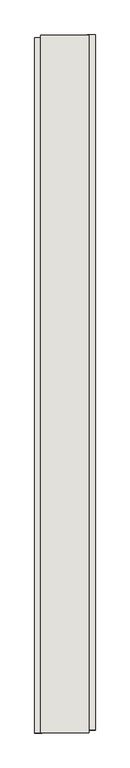
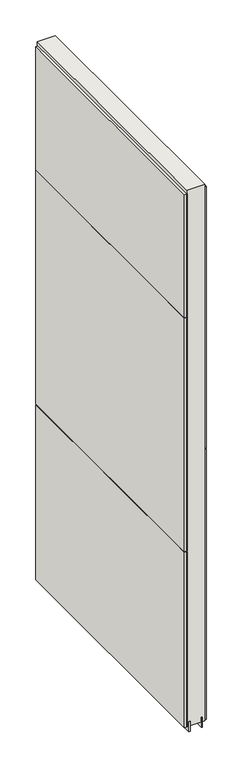
"""IFC4 building model written with IfcOpenShell, lengths in millimetres: wall geometry."""

import ifcopenshell
import ifcopenshell.guid

model = None  # the IFC model being written
_history = None  # IfcOwnerHistory: only IFC2X3 demands one
_inside = {}  # id of a spatial element -> (the spatial element, [elements in it])
_under = {}  # id of a project, library or spatial element -> (it, [spatial elements below it])
_declared = {}  # id of a project -> (the project, [libraries it declares])
_typed = {}  # id of a type object -> (the type object, [elements of that type])
_made_of = {}  # id of a material, layer set ... -> (it, [elements and type objects made of it])


def new_model(schema):
    """Start an empty IFC model of exactly this schema.

    Asked for "IFC4X3", IfcOpenShell would pick the latest addendum, in which some entities
    have other attributes; the version numbers below select the first issue.
    IFC2X3 requires an IfcOwnerHistory on every rooted entity: one is made here for all.
    """
    global model, _history
    if schema == "IFC4X3":
        model = ifcopenshell.file(schema_version=(4, 3, 0, 0))
    else:
        model = ifcopenshell.file(schema=schema)
    _inside.clear()
    _under.clear()
    _declared.clear()
    _typed.clear()
    _made_of.clear()
    _history = None
    if model.schema == "IFC2X3":
        org = make("IfcOrganization", Name="unknown")
        user = make(
            "IfcPersonAndOrganization",
            ThePerson=make("IfcPerson", FamilyName="unknown"),
            TheOrganization=org,
        )
        app = make(
            "IfcApplication",
            ApplicationDeveloper=org,
            Version="unknown",
            ApplicationFullName="unknown",
            ApplicationIdentifier="unknown",
        )
        _history = make(
            "IfcOwnerHistory",
            OwningUser=user,
            OwningApplication=app,
            ChangeAction="ADDED",
            CreationDate=0,
        )
    return model


def make(cls, **values):
    """One entity of the class cls with the attributes given. An attribute that is None is left unset."""
    return model.create_entity(
        cls, **{name: value for name, value in values.items() if value is not None}
    )


def rooted(cls, **values):
    """An entity with a GlobalId (a new one), such as an element, a storey or a relation."""
    return make(cls, GlobalId=ifcopenshell.guid.new(), OwnerHistory=_history, **values)


def si_unit(unit_type, name, prefix=None):
    """IfcSIUnit, for example si_unit("LENGTHUNIT", "METRE", prefix="MILLI")."""
    return make("IfcSIUnit", UnitType=unit_type, Prefix=prefix, Name=name)


def assignment(units):
    """IfcUnitAssignment: the units of a project."""
    return None if units is None else make("IfcUnitAssignment", Units=units)


def point(xyz):
    """IfcCartesianPoint."""
    return None if xyz is None else make("IfcCartesianPoint", Coordinates=xyz)


def direction(xyz):
    """IfcDirection."""
    return None if xyz is None else make("IfcDirection", DirectionRatios=xyz)


def frame(location, z_axis=None, x_axis=None):
    """IfcAxis2Placement3D, a coordinate frame: its origin and axes. An axis left out is left unset."""
    return make(
        "IfcAxis2Placement3D",
        Location=point(location),
        Axis=direction(z_axis),
        RefDirection=direction(x_axis),
    )


def origin():
    """The frame at (0, 0, 0) with its axes left unset."""
    return frame((0.0, 0.0, 0.0))


def place(relative_to, where):
    """IfcLocalPlacement: puts the frame where relative to a parent placement (None: the world)."""
    return make(
        "IfcLocalPlacement", PlacementRelTo=relative_to, RelativePlacement=where
    )


def context(
    kind, dimensions, precision=None, world=None, true_north=None, identifier=None
):
    """IfcGeometricRepresentationContext, for example the 3D "Model" context."""
    return make(
        "IfcGeometricRepresentationContext",
        ContextIdentifier=identifier,
        ContextType=kind,
        CoordinateSpaceDimension=dimensions,
        Precision=precision,
        WorldCoordinateSystem=world,
        TrueNorth=true_north,
    )


def project(units=None, contexts=None):
    """IfcProject with its units and contexts."""
    return rooted(
        "IfcProject",
        Name="project",
        RepresentationContexts=contexts,
        UnitsInContext=assignment(units),
    )


def spatial(cls, under=None, at=None, **own):
    """A site, building, storey or space (cls), placed at a placement, below another one or the project."""
    s = rooted(cls, ObjectPlacement=at, **own)
    if under is not None:
        _under.setdefault(under.id(), (under, []))[1].append(s)
    return s


def polyline(points):
    """IfcPolyline through the points."""
    return make("IfcPolyline", Points=[point(p) for p in points])


def outline(outer, holes=None, kind="AREA"):
    """IfcArbitraryClosedProfileDef: a profile drawn as a closed curve; with holes, ...WithVoids."""
    if holes is None:
        return make("IfcArbitraryClosedProfileDef", ProfileType=kind, OuterCurve=outer)
    return make(
        "IfcArbitraryProfileDefWithVoids",
        ProfileType=kind,
        OuterCurve=outer,
        InnerCurves=holes,
    )


def extrude(swept, where, along, depth):
    """IfcExtrudedAreaSolid: the profile swept, set in the frame where, extruded along a direction by depth."""
    return make(
        "IfcExtrudedAreaSolid",
        SweptArea=swept,
        Position=where,
        ExtrudedDirection=direction(along),
        Depth=depth,
    )


def shape(context_of_items, identifier, shape_type, items):
    """IfcShapeRepresentation: the items that make up one representation, for example the "Body"."""
    return make(
        "IfcShapeRepresentation",
        ContextOfItems=context_of_items,
        RepresentationIdentifier=identifier,
        RepresentationType=shape_type,
        Items=items,
    )


def source(mapping_origin, context_of_items, identifier, shape_type, items):
    """IfcRepresentationMap: a shape defined once, which mapped items show again and again."""
    return make(
        "IfcRepresentationMap",
        MappingOrigin=mapping_origin,
        MappedRepresentation=shape(context_of_items, identifier, shape_type, items),
    )


def transform(
    local_origin,
    x_axis=None,
    y_axis=None,
    z_axis=None,
    scale=None,
    scale2=None,
    scale3=None,
    uniform=True,
):
    """IfcCartesianTransformationOperator3D, or its non-uniform kind. x_axis, y_axis, z_axis: its Axis1, 2, 3."""
    if uniform:
        return make(
            "IfcCartesianTransformationOperator3D",
            Axis1=direction(x_axis),
            Axis2=direction(y_axis),
            LocalOrigin=point(local_origin),
            Scale=scale,
            Axis3=direction(z_axis),
        )
    return make(
        "IfcCartesianTransformationOperator3DnonUniform",
        Axis1=direction(x_axis),
        Axis2=direction(y_axis),
        LocalOrigin=point(local_origin),
        Scale=scale,
        Axis3=direction(z_axis),
        Scale2=scale2,
        Scale3=scale3,
    )


def mapped(mapping_source, mapping_target):
    """IfcMappedItem: shows the shape of a source again, moved by a transform."""
    return make(
        "IfcMappedItem", MappingSource=mapping_source, MappingTarget=mapping_target
    )


def made_of(thing, what):
    """Note that an element or type object is made of a material, layer set ...; save() writes the relation."""
    if what is not None:
        _made_of.setdefault(what.id(), (what, []))[1].append(thing)
    return thing


def element(
    cls,
    number,
    at=None,
    inside=None,
    cuts=None,
    type_object=None,
    material=None,
    context=None,
    identifier="Body",
    shape_type=None,
    held_by="IfcProductDefinitionShape",
    body=None,
    shapes=None,
    **own,
):
    """One element of the class cls, such as IfcWall. Its Tag is "e" and its number.

    at: its placement. inside: the storey or other place that contains it. cuts: it is an
    opening in that element (IfcRelVoidsElement). A single representation is given by context,
    identifier, shape_type and body (its items); several are given by shapes. held_by: the class
    of the entity that holds the representations. save() writes the other relations.
    """
    e = rooted(cls, Tag="e%d" % number, ObjectPlacement=at, **own)
    if body is not None:
        shapes = [shape(context, identifier, shape_type, body)]
    if shapes is not None:
        e.Representation = make(held_by, Representations=shapes)
    if inside is not None:
        _inside.setdefault(inside.id(), (inside, []))[1].append(e)
    if cuts is not None:
        rooted(
            "IfcRelVoidsElement", RelatingBuildingElement=cuts, RelatedOpeningElement=e
        )
    if type_object is not None:
        _typed.setdefault(type_object.id(), (type_object, []))[1].append(e)
    return made_of(e, material)


def aggregate(whole, parts):
    """IfcRelAggregates: a whole, such as a stair, and the parts it consists of."""
    return rooted("IfcRelAggregates", RelatingObject=whole, RelatedObjects=parts)


def save(model, path):
    """Write the relations noted so far, then the file.

    IfcRelAggregates (storeys below a building ...), IfcRelContainedInSpatialStructure (elements
    in a storey), IfcRelDefinesByType, IfcRelAssociatesMaterial and IfcRelDeclares: one each for
    every whole, place, type object, material and project.
    """
    for whole, parts in _under.values():
        aggregate(whole, parts)
    for where, things in _inside.values():
        rooted(
            "IfcRelContainedInSpatialStructure",
            RelatedElements=things,
            RelatingStructure=where,
        )
    for kind, things in _typed.values():
        rooted("IfcRelDefinesByType", RelatedObjects=things, RelatingType=kind)
    for what, things in _made_of.values():
        rooted("IfcRelAssociatesMaterial", RelatedObjects=things, RelatingMaterial=what)
    for by, libraries in _declared.values():
        rooted("IfcRelDeclares", RelatingContext=by, RelatedDefinitions=libraries)
    model.write(path)


def wall_28fead2a(model_context):
    return source(origin(), model_context, "Body", "SweptSolid", [
        extrude(outline(polyline([(51817.4988286, -41852.2906666), (51817.4988286, -41849.7506666), (51820.0388286, -41849.7506666), (51820.0388286, -41852.2906666), (51817.4988286, -41852.2906666)])), frame((0.0, 0.0, 4419.6), z_axis=(0.0, 0.0, 1.0), x_axis=(1.0, 0.0, 0.0)), (0.0, 0.0, 1.0), 2.54),
        extrude(outline(polyline([(51869.5688286, -41849.2875484), (51869.5688286, -43013.6875564), (51856.8688286, -43013.6875564), (51856.8688286, -41849.2875484), (51869.5688286, -41849.2875484)])), frame((0.0, 0.0, 5742.399869), z_axis=(0.0, 0.0, 1.0), x_axis=(1.0, 0.0, 0.0)), (0.0, 0.0, 1.0), 1247.649905),
        extrude(outline(polyline([(51869.5688286, -41849.2875484), (51869.5688286, -43013.6875564), (51856.8688286, -43013.6875564), (51856.8688286, -41849.2875484), (51869.5688286, -41849.2875484)])), frame((0.0, 0.0, 4445.0), z_axis=(0.0, 0.0, 1.0), x_axis=(1.0, 0.0, 0.0)), (0.0, 0.0, 1.0), 1293.400004),
        extrude(outline(polyline([(51767.9688286, -43018.6174932), (51767.9688286, -41854.2174852), (51780.6688286, -41854.2174852), (51780.6688286, -43018.6174932), (51767.9688286, -43018.6174932)])), frame((0.0, 0.0, 6402.8000722), z_axis=(0.0, 0.0, 1.0), x_axis=(1.0, 0.0, 0.0)), (0.0, 0.0, 1.0), 587.2498034),
        extrude(outline(polyline([(51767.9688286, -43018.6174932), (51767.9688286, -41854.2174852), (51780.6688286, -41854.2174852), (51780.6688286, -43018.6174932), (51767.9688286, -43018.6174932)])), frame((0.0, 0.0, 5285.2000722), z_axis=(0.0, 0.0, 1.0), x_axis=(1.0, 0.0, 0.0)), (0.0, 0.0, 1.0), 1113.5999572),
        extrude(outline(polyline([(51767.9688286, -43018.6174932), (51767.9688286, -41854.2174852), (51780.6688286, -41854.2174852), (51780.6688286, -43018.6174932), (51767.9688286, -43018.6174932)])), frame((0.0, 0.0, 4445.0), z_axis=(0.0, 0.0, 1.0), x_axis=(1.0, 0.0, 0.0)), (0.0, 0.0, 1.0), 836.200004),
        extrude(outline(polyline([(51843.8649684, -43018.1525208), (51843.8649684, -41849.7525208), (51848.9437238, -41849.7525208), (51848.9437238, -43018.1525208), (51843.8649684, -43018.1525208)])), frame((0.0, 0.0, 4418.6602), z_axis=(0.0, 0.0, 1.0), x_axis=(1.0, 0.0, 0.0)), (0.0, 0.0, 1.0), 47.625),
        extrude(outline(polyline([(51843.8649684, -43018.1525208), (51843.8649684, -41849.7525208), (51848.9437238, -41849.7525208), (51848.9437238, -43018.1525208), (51843.8649684, -43018.1525208)])), frame((0.0, 0.0, 4418.6602), z_axis=(0.0, 0.0, 1.0), x_axis=(1.0, 0.0, 0.0)), (0.0, 0.0, 1.0), 47.625),
        extrude(outline(polyline([(51793.6726888, -41849.7525208), (51793.6726888, -43018.1525208), (51788.6187238, -43018.1525208), (51788.6187238, -41849.7525208), (51793.6726888, -41849.7525208)])), frame((0.0, 0.0, 4418.6602), z_axis=(0.0, 0.0, 1.0), x_axis=(1.0, 0.0, 0.0)), (0.0, 0.0, 1.0), 47.625),
        extrude(outline(polyline([(51793.6726888, -41849.7525208), (51793.6726888, -43018.1525208), (51788.6187238, -43018.1525208), (51788.6187238, -41849.7525208), (51793.6726888, -41849.7525208)])), frame((0.0, 0.0, 4418.6602), z_axis=(0.0, 0.0, 1.0), x_axis=(1.0, 0.0, 0.0)), (0.0, 0.0, 1.0), 47.625),
        extrude(outline(polyline([(51859.4081936, -43018.1525208), (51778.1294382, -43018.1525208), (51778.1294382, -41849.7525208), (51859.4081936, -41849.7525208), (51859.4081936, -43018.1525208)])), frame((0.0, 0.0, 4445.0), z_axis=(0.0, 0.0, 1.0), x_axis=(1.0, 0.0, 0.0)), (0.0, 0.0, 1.0), 2562.4536762),
    ])


if __name__ == "__main__":
    model = new_model("IFC4")
    model_context = context("Model", 3, world=origin())
    ifc_project = project(units=[si_unit("LENGTHUNIT", "METRE", prefix="MILLI")], contexts=[model_context])
    site = spatial("IfcSite", under=ifc_project)
    building = spatial("IfcBuilding", under=site)
    placement = place(None, origin())
    wall_shape = wall_28fead2a(model_context)
    element("IfcWall", 1, at=placement, inside=building, context=model_context, shape_type="MappedRepresentation", body=[
        mapped(wall_shape, transform((0.0, 0.0, 0.0), x_axis=(1.0, 0.0, 0.0), y_axis=(0.0, 1.0, 0.0), z_axis=(0.0, 0.0, 1.0))),
    ])
    save(model, "model.ifc")
